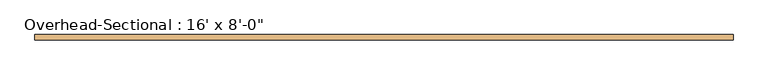
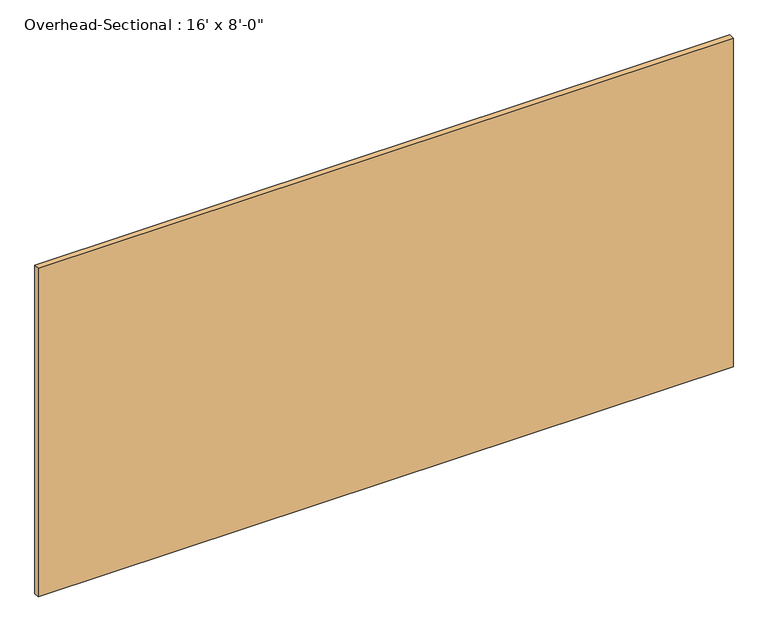
"""IFC4 building model written with IfcOpenShell, lengths in millimetres: door geometry."""

from ifc_helpers import new_model, si_unit, origin, origin_with_axes, place, context, project, spatial, polyline, outline, extrude, source, transform, mapped, element, save


def door_6f9f84f0(model_context):
    return source(origin(), model_context, "Body", "SweptSolid", [
        extrude(outline(polyline([(2438.4, -69.85), (2438.4, -107.95), (-2438.4, -107.95), (-2438.4, -69.85), (2438.4, -69.85)])), origin_with_axes(), (0.0, 0.0, 1.0), 2438.4),
    ])


if __name__ == "__main__":
    model = new_model("IFC4")
    model_context = context("Model", 3, world=origin())
    ifc_project = project(units=[si_unit("LENGTHUNIT", "METRE", prefix="MILLI")], contexts=[model_context])
    site = spatial("IfcSite", under=ifc_project)
    building = spatial("IfcBuilding", under=site)
    placement = place(None, origin())
    door_shape = door_6f9f84f0(model_context)
    element("IfcDoor", 1, ObjectType="Overhead-Sectional : 16' x 8'-0\"", at=placement, inside=building, context=model_context, shape_type="MappedRepresentation", body=[
        mapped(door_shape, transform((0.0, 0.0, 0.0), x_axis=(1.0, 0.0, 0.0), y_axis=(0.0, 1.0, 0.0), z_axis=(0.0, 0.0, 1.0))),
    ])
    save(model, "model.ifc")
